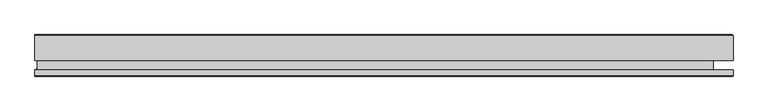
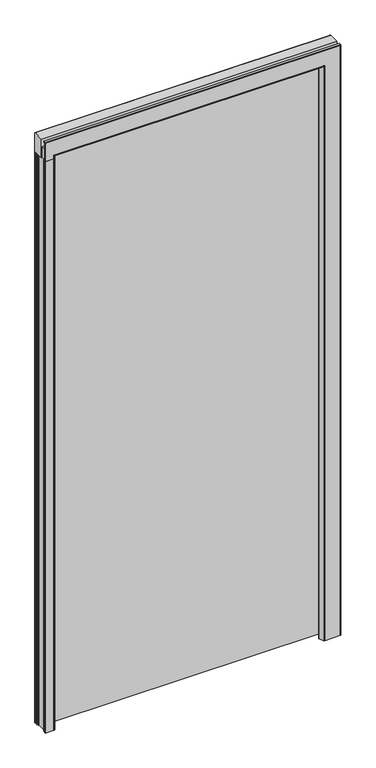
"""IFC4 building model written with IfcOpenShell, lengths in millimetres: plate geometry."""

from ifc_helpers import new_model, si_unit, point, frame, frame_2d, origin, origin_with_axes, place, context, project, spatial, polyline, circle_curve, ellipse_curve, trimmed, segment, composite_curve, outline, extrude, source, transform, mapped, element, save
from ifc_brep_helpers import plane_surface, cylinder_surface, revolved_surface, advanced_brep


def plate_19318635(model_context):
    return source(origin(), model_context, "Body", "SolidModel", [
        advanced_brep(
        [(-448.4438648, 1.9898158, 2040.2500691), (-448.4637148, -0.3532802, 2040.2500691), (-447.2153219, 0.4901462, 2040.2500691), (-446.5259623, -0.5561522, 2040.2500691), (-454.3900123, -16.0011353, 2040.2500691), (-455.4643518, -16.0011353, 2040.2500691), (-455.4643518, -13.9414107, 2040.2500691), (-458.4645382, -13.9414107, 2040.2500691), (-458.4645382, -14.7514097, 2040.2500691), (-457.141499, -14.7514097, 2040.2500691), (-457.0900653, -16.0012116, 2040.2500691), (-486.4642858, -16.0012116, 2040.2500691), (-486.4642858, -14.7514107, 2040.2500691), (-483.4649618, -14.7514107, 2040.2500691), (-483.4649618, 6.9997289, 2040.2500691), (-486.4642858, 6.9997289, 2040.2500691), (-486.4642858, 43.9982692, 2040.2500691), (-462.469292, 43.9982692, 2040.2500691), (-461.4642858, 42.993263, 2040.2500691), (-461.4642858, 35.9882516, 2040.2500691), (-463.4668258, 36.0001186, 2040.2500691), (-463.4668258, 33.0007795, 2040.2500691), (-465.9662751, 33.0007795, 2040.2500691), (-465.9662751, 33.9997119, 2040.2500691), (-466.9660548, 33.9997119, 2040.2500691), (-466.9660548, 14.9979665, 2040.2500691), (-465.9662751, 14.9979665, 2040.2500691), (-465.9662751, 15.9994408, 2040.2500691), (-463.4668258, 15.9994408, 2040.2500691), (-463.4668258, 13.0001017, 2040.2500691), (-461.4642858, 12.9890847, 2040.2500691), (-461.4642858, 9.9889008, 2040.2500691), (-460.2141527, 9.9889008, 2040.2500691), (-460.2141527, 6.7430058, 2040.2500691), (-458.4636909, 4.9900022, 2040.2500691), (-451.4432039, 4.9900022, 2040.2500691), (448.4438648, 1.9898158, 0.0), (451.4432039, 4.9900022, 0.0), (458.4636909, 4.9900022, 0.0), (460.2141527, 6.7430058, 0.0), (460.2141527, 9.9889008, 0.0), (461.4642858, 9.9889008, 0.0), (461.4642858, 12.9890847, 0.0), (463.4668258, 13.0001017, 0.0), (463.4668258, 15.9994408, 0.0), (465.9662751, 15.9994408, 0.0), (465.9662751, 14.9979665, 0.0), (466.9660548, 14.9979665, 0.0), (466.9660548, 33.9997119, 0.0), (465.9662751, 33.9997119, 0.0), (465.9662751, 33.0007795, 0.0), (463.4668258, 33.0007795, 0.0), (463.4668258, 36.0001186, 0.0), (461.4642858, 35.9882516, 0.0), (461.4642858, 42.993263, 0.0), (462.469292, 43.9982692, 0.0), (510.4600044, 43.9982692, 0.0), (511.4642858, 42.9939877, 0.0), (511.4642858, 6.9997289, 0.0), (483.4649618, 6.9997289, 0.0), (483.4649618, -14.7514107, 0.0), (510.215, -14.7514107, 0.0), (510.215, -6.499839, 0.0), (511.4642858, -6.499839, 0.0), (511.4642858, -15.0168796, 0.0), (510.4624766, -16.0012116, 0.0), (457.0900653, -16.0012116, 0.0), (457.141499, -14.7514097, 0.0), (458.4645382, -14.7514097, 0.0), (458.4645382, -13.9414107, 0.0), (455.4643518, -13.9414107, 0.0), (455.4643518, -16.0011353, 0.0), (454.3900123, -16.0011353, 0.0), (446.5259623, -0.5561522, 0.0), (447.2153219, 0.4901462, 0.0), (448.4637148, -0.3532802, 0.0), (-448.4637148, -0.3532802, 2043.999429), (-448.4438648, 1.9898158, 2043.979579), (448.4438648, 1.9898158, 2043.979579), (448.4637148, -0.3532802, 2043.999429), (447.2153219, 0.4901462, 2042.7510361), (-447.2153219, 0.4901462, 2042.7510361), (446.5259623, -0.5561522, 2042.0616765), (-446.5259623, -0.5561522, 2042.0616765), (454.3900123, -16.0011353, 2049.9257264), (-454.3900123, -16.0011353, 2049.9257264), (-455.4643518, -13.9414107, 2051.000066), (-455.4643518, -16.0011353, 2051.000066), (455.4643518, -16.0011353, 2051.000066), (455.4643518, -13.9414107, 2051.000066), (-458.4645382, -14.7514097, 2054.0002524), (-458.4645382, -13.9414107, 2054.0002524), (458.4645382, -13.9414107, 2054.0002524), (458.4645382, -14.7514097, 2054.0002524), (-457.0900653, -16.0012116, 2052.6257795), (-457.141499, -14.7514097, 2052.6772132), (457.141499, -14.7514097, 2052.6772132), (457.0900653, -16.0012116, 2052.6257795), (510.4624766, -16.0012116, 2105.9981908), (511.4642858, -15.0168796, 2107.0), (-486.4642858, -15.0168796, 2107.0), (-486.4642858, -16.0012116, 2105.9981908), (511.4642858, -6.499839, 2107.0), (-486.4642858, -6.499839, 2107.0), (510.215, -6.499839, 2105.7507142), (510.215, -14.7514107, 2105.7507142), (-486.4642858, -14.7514107, 2105.7507142), (-486.4642858, -6.499839, 2105.7507142), (-483.4649618, 6.9997289, 2079.000676), (-483.4649618, -14.7514107, 2079.000676), (483.4649618, -14.7514107, 2079.000676), (483.4649618, 6.9997289, 2079.000676), (511.4642858, 6.9997289, 2107.0), (511.4642858, 42.9939877, 2107.0), (-486.4642858, 42.9939877, 2107.0), (-486.4642858, 6.9997289, 2107.0), (510.4600044, 43.9982692, 2105.9957186), (-486.4642858, 43.9982692, 2105.9957186), (-461.4642858, 42.993263, 2057.0), (-462.469292, 43.9982692, 2058.0050061), (462.469292, 43.9982692, 2058.0050061), (461.4642858, 42.993263, 2057.0), (461.4642858, 35.9882516, 2057.0), (-461.4642858, 35.9882516, 2057.0), (463.4668258, 36.0001186, 2059.00254), (-463.4668258, 36.0001186, 2059.00254), (463.4668258, 33.0007795, 2059.00254), (-463.4668258, 33.0007795, 2059.00254), (-465.9662751, 33.9997119, 2061.5019893), (-465.9662751, 33.0007795, 2061.5019893), (465.9662751, 33.0007795, 2061.5019893), (465.9662751, 33.9997119, 2061.5019893), (-466.9660548, 14.9979665, 2062.501769), (-466.9660548, 33.9997119, 2062.501769), (466.9660548, 33.9997119, 2062.501769), (466.9660548, 14.9979665, 2062.501769), (-465.9662751, 15.9994408, 2061.5019893), (-465.9662751, 14.9979665, 2061.5019893), (465.9662751, 14.9979665, 2061.5019893), (465.9662751, 15.9994408, 2061.5019893), (-463.4668258, 13.0001017, 2059.00254), (-463.4668258, 15.9994408, 2059.00254), (463.4668258, 15.9994408, 2059.00254), (463.4668258, 13.0001017, 2059.00254), (461.4642858, 12.9890847, 2057.0), (-461.4642858, 12.9890847, 2057.0), (461.4642858, 9.9889008, 2057.0), (-461.4642858, 9.9889008, 2057.0), (-460.2141527, 6.7430058, 2055.7498669), (-460.2141527, 9.9889008, 2055.7498669), (460.2141527, 9.9889008, 2055.7498669), (460.2141527, 6.7430058, 2055.7498669), (458.4636909, 4.9900022, 2053.9994051), (-458.4636909, 4.9900022, 2053.9994051), (-451.4432039, 4.9900022, 2046.9789181), (451.4432039, 4.9900022, 2046.9789181)],
        [
            (0, 1),
            (1, 2),
            (2, 3, circle_curve(frame((-447.2165222, -0.260888, 2040.2500691), z_axis=(0.0, 0.0, -1.0), x_axis=(0.0, -1.0, 0.0)), 0.7510352)),
            (3, 4, circle_curve(frame((-512.089189, 23.1018273, 2040.2500691), z_axis=(0.0, 0.0, -1.0), x_axis=(0.0, -1.0, 0.0)), 69.7010523)),
            (4, 5),
            (5, 6),
            (6, 7),
            (7, 8),
            (8, 9),
            (9, 10, circle_curve(frame((-457.0900653, -15.3752523, 2040.2500691), z_axis=(0.0, 0.0, -1.0), x_axis=(0.0, -1.0, 0.0)), 0.6259593)),
            (10, 11),
            (11, 12),
            (12, 13),
            (13, 14),
            (14, 15),
            (15, 16),
            (16, 17),
            (17, 18, circle_curve(frame((-462.469292, 42.993263, 2040.2500691), z_axis=(0.0, 0.0, -1.0), x_axis=(0.0, -1.0, 0.0)), 1.0050061)),
            (18, 19),
            (19, 20),
            (20, 21),
            (21, 22),
            (22, 23),
            (23, 24),
            (24, 25),
            (25, 26),
            (26, 27),
            (27, 28),
            (28, 29),
            (29, 30),
            (30, 31),
            (31, 32),
            (32, 33),
            (33, 34, circle_curve(frame((-458.4625831, 6.741572, 2040.2500691), z_axis=(0.0, 0.0, 1.0), x_axis=(0.0, -1.0, 0.0)), 1.7515702)),
            (34, 35),
            (35, 0, circle_curve(frame((-451.4342859, 1.9995785, 2040.2500691), z_axis=(0.0, 0.0, -1.0), x_axis=(0.0, -1.0, 0.0)), 2.990437)),
            (36, 37, circle_curve(frame((451.4342859, 1.9995785, 0.0), z_axis=(0.0, 0.0, -1.0), x_axis=(0.0, -1.0, 0.0)), 2.990437)),
            (37, 38),
            (38, 39, circle_curve(frame((458.4625831, 6.741572, 0.0), z_axis=(0.0, 0.0, 1.0), x_axis=(0.0, -1.0, 0.0)), 1.7515702)),
            (39, 40),
            (40, 41),
            (41, 42),
            (42, 43),
            (43, 44),
            (44, 45),
            (45, 46),
            (46, 47),
            (47, 48),
            (48, 49),
            (49, 50),
            (50, 51),
            (51, 52),
            (52, 53),
            (53, 54),
            (54, 55, circle_curve(frame((462.469292, 42.993263, 0.0), z_axis=(0.0, 0.0, -1.0), x_axis=(0.0, -1.0, 0.0)), 1.0050061)),
            (55, 56),
            (56, 57, circle_curve(frame((510.4600044, 42.9939877, 0.0), z_axis=(0.0, 0.0, -1.0), x_axis=(0.0, -1.0, 0.0)), 1.0042814)),
            (57, 58),
            (58, 59),
            (59, 60),
            (60, 61),
            (61, 62),
            (62, 63),
            (63, 64),
            (64, 65, circle_curve(frame((510.4624766, -14.9992472, 0.0), z_axis=(0.0, 0.0, -1.0), x_axis=(0.0, -1.0, 0.0)), 1.0019644)),
            (65, 66),
            (66, 67, circle_curve(frame((457.0900653, -15.3752523, 0.0), z_axis=(0.0, 0.0, -1.0), x_axis=(0.0, -1.0, 0.0)), 0.6259593)),
            (67, 68),
            (68, 69),
            (69, 70),
            (70, 71),
            (71, 72),
            (72, 73, circle_curve(frame((512.089189, 23.1018273, 0.0), z_axis=(0.0, 0.0, -1.0), x_axis=(0.0, -1.0, 0.0)), 69.7010523)),
            (73, 74, circle_curve(frame((447.2165222, -0.260888, 0.0), z_axis=(0.0, 0.0, -1.0), x_axis=(0.0, -1.0, 0.0)), 0.7510352)),
            (74, 75),
            (75, 36),
            (76, 77),
            (77, 78),
            (78, 79),
            (79, 76),
            (79, 80),
            (80, 81),
            (81, 76),
            (80, 82, ellipse_curve(frame((447.2165222, -0.260888, 2042.7522363), z_axis=(-0.7071067811865475, 0.0, 0.7071067811865475), x_axis=(-0.7071067811865476, 0.0, -0.7071067811865474)), 1.0621241, 0.7510352)),
            (82, 83),
            (83, 81, ellipse_curve(frame((-447.2165222, -0.260888, 2042.7522363), z_axis=(0.7071067811865475, 0.0, 0.7071067811865475), x_axis=(-0.7071067811865476, 0.0, 0.7071067811865474)), 1.0621241, 0.7510352)),
            (82, 84, ellipse_curve(frame((512.089189, 23.1018273, 2107.6249032), z_axis=(-0.7071067811865475, 0.0, 0.7071067811865475), x_axis=(-0.7071067811865476, 0.0, -0.7071067811865474)), 98.5721734, 69.7010523)),
            (84, 85),
            (85, 83, ellipse_curve(frame((-512.089189, 23.1018273, 2107.6249032), z_axis=(0.7071067811865475, 0.0, 0.7071067811865475), x_axis=(-0.7071067811865476, 0.0, 0.7071067811865474)), 98.5721734, 69.7010523)),
            (86, 87),
            (87, 88),
            (88, 89),
            (89, 86),
            (90, 91),
            (91, 92),
            (92, 93),
            (93, 90),
            (94, 95, ellipse_curve(frame((-457.0900653, -15.3752523, 2052.6257795), z_axis=(0.7071067811865475, 0.0, 0.7071067811865475), x_axis=(-0.7071067811865476, 0.0, 0.7071067811865474)), 0.8852401, 0.6259593)),
            (95, 96),
            (96, 97, ellipse_curve(frame((457.0900653, -15.3752523, 2052.6257795), z_axis=(-0.7071067811865475, 0.0, 0.7071067811865475), x_axis=(-0.7071067811865476, 0.0, -0.7071067811865474)), 0.8852401, 0.6259593)),
            (97, 94),
            (98, 99, ellipse_curve(frame((510.4624766, -14.9992472, 2105.9981908), z_axis=(-0.7071067811865475, 0.0, 0.7071067811865475), x_axis=(-0.7071067811865476, 0.0, -0.7071067811865474)), 1.4169916, 1.0019644)),
            (99, 100),
            (100, 101, circle_curve(frame((-486.4642858, -14.9992472, 2105.9981908), z_axis=(1.0, 0.0, 0.0), x_axis=(0.0, -1.0, 0.0)), 1.0019644)),
            (101, 98),
            (99, 102),
            (102, 103),
            (103, 100),
            (104, 105),
            (105, 106),
            (106, 107),
            (107, 104),
            (108, 109),
            (109, 110),
            (110, 111),
            (111, 108),
            (112, 113),
            (113, 114),
            (114, 115),
            (115, 112),
            (113, 116, ellipse_curve(frame((510.4600044, 42.9939877, 2105.9957186), z_axis=(-0.7071067811865475, 0.0, 0.7071067811865475), x_axis=(-0.7071067811865476, 0.0, -0.7071067811865474)), 1.4202684, 1.0042814)),
            (116, 117),
            (117, 114, circle_curve(frame((-486.4642858, 42.9939877, 2105.9957186), z_axis=(1.0, 0.0, 0.0), x_axis=(0.0, -1.0, 0.0)), 1.0042814)),
            (118, 119, ellipse_curve(frame((-462.469292, 42.993263, 2058.0050061), z_axis=(0.7071067811865475, 0.0, 0.7071067811865475), x_axis=(-0.7071067811865476, 0.0, 0.7071067811865474)), 1.4212933, 1.0050061)),
            (119, 120),
            (120, 121, ellipse_curve(frame((462.469292, 42.993263, 2058.0050061), z_axis=(-0.7071067811865475, 0.0, 0.7071067811865475), x_axis=(-0.7071067811865476, 0.0, -0.7071067811865474)), 1.4212933, 1.0050061)),
            (121, 118),
            (121, 122),
            (122, 123),
            (123, 118),
            (122, 124),
            (124, 125),
            (125, 123),
            (124, 126),
            (126, 127),
            (127, 125),
            (128, 129),
            (129, 130),
            (130, 131),
            (131, 128),
            (132, 133),
            (133, 134),
            (134, 135),
            (135, 132),
            (136, 137),
            (137, 138),
            (138, 139),
            (139, 136),
            (140, 141),
            (141, 142),
            (142, 143),
            (143, 140),
            (143, 144),
            (144, 145),
            (145, 140),
            (144, 146),
            (146, 147),
            (147, 145),
            (148, 149),
            (149, 150),
            (150, 151),
            (151, 148),
            (151, 152, ellipse_curve(frame((458.4625831, 6.741572, 2053.9982973), z_axis=(0.7071067811865475, 0.0, -0.7071067811865475), x_axis=(0.7071067811865476, 0.0, 0.7071067811865474)), 2.4770943, 1.7515702)),
            (152, 153),
            (153, 148, ellipse_curve(frame((-458.4625831, 6.741572, 2053.9982973), z_axis=(-0.7071067811865475, 0.0, -0.7071067811865475), x_axis=(0.7071067811865476, 0.0, -0.7071067811865474)), 2.4770943, 1.7515702)),
            (77, 154, ellipse_curve(frame((-451.4342859, 1.9995785, 2046.9700001), z_axis=(0.7071067811865475, 0.0, 0.7071067811865475), x_axis=(-0.7071067811865476, 0.0, 0.7071067811865474)), 4.2291166, 2.990437)),
            (154, 155),
            (155, 78, ellipse_curve(frame((451.4342859, 1.9995785, 2046.9700001), z_axis=(-0.7071067811865475, 0.0, 0.7071067811865475), x_axis=(-0.7071067811865476, 0.0, -0.7071067811865474)), 4.2291166, 2.990437)),
            (75, 79),
            (78, 36),
            (74, 80),
            (73, 82),
            (72, 84),
            (70, 89),
            (88, 71),
            (68, 93),
            (92, 69),
            (66, 97),
            (96, 67),
            (64, 99),
            (98, 65),
            (63, 102),
            (61, 105),
            (104, 62),
            (59, 111),
            (110, 60),
            (57, 113),
            (112, 58),
            (56, 116),
            (54, 121),
            (120, 55),
            (53, 122),
            (52, 124),
            (51, 126),
            (49, 131),
            (130, 50),
            (47, 135),
            (134, 48),
            (45, 139),
            (138, 46),
            (43, 143),
            (142, 44),
            (42, 144),
            (41, 146),
            (39, 151),
            (150, 40),
            (38, 152),
            (155, 37),
            (0, 77),
            (76, 1),
            (81, 2),
            (83, 3),
            (85, 4),
            (87, 5),
            (86, 6),
            (91, 7),
            (90, 8),
            (95, 9),
            (94, 10),
            (101, 11),
            (107, 103),
            (109, 13),
            (12, 106),
            (108, 14),
            (115, 15),
            (119, 17),
            (16, 117),
            (118, 18),
            (123, 19),
            (125, 20),
            (127, 21),
            (129, 22),
            (128, 23),
            (133, 24),
            (132, 25),
            (137, 26),
            (136, 27),
            (141, 28),
            (140, 29),
            (145, 30),
            (147, 31),
            (149, 32),
            (148, 33),
            (153, 34),
            (154, 35),
        ],
        [
            plane_surface(frame((-486.4642858, 0.0, 2040.2500691), z_axis=(0.0, 0.0, -1.0), x_axis=(0.0, -1.0, 0.0))),
            plane_surface(frame((486.4642858, 0.0, 0.0), z_axis=(0.0, 0.0, -1.0), x_axis=(0.0, -1.0, 0.0))),
            plane_surface(frame((-448.4438648, 1.9898158, 2043.979579), z_axis=(0.0, -0.00847140051720653, -0.9999641170428453), x_axis=(1.0, 0.0, 0.0))),
            plane_surface(frame((-448.4637148, -0.3532802, 2043.999429), z_axis=(0.0, 0.8286143064900416, 0.5598199095066444), x_axis=(1.0, 0.0, 0.0))),
            cylinder_surface(frame((-486.4642858, -0.260888, 2042.7522363), z_axis=(-1.0, 0.0, 0.0), x_axis=(0.0, -1.0, 0.0)), 0.7510352),
            cylinder_surface(frame((-486.4642858, 23.1018273, 2107.6249032), z_axis=(-1.0, 0.0, 0.0), x_axis=(0.0, -1.0, 0.0)), 69.7010523),
            plane_surface(frame((-455.4643518, -16.0011353, 2051.000066), z_axis=(0.0, 0.0, 1.0), x_axis=(1.0, 0.0, 0.0))),
            plane_surface(frame((-458.4645382, -13.9414107, 2054.0002524), z_axis=(0.0, 0.0, -1.0), x_axis=(1.0, 0.0, 0.0))),
            cylinder_surface(frame((-486.4642858, -15.3752523, 2052.6257795), z_axis=(-1.0, 0.0, 0.0), x_axis=(0.0, -1.0, 0.0)), 0.6259593),
            cylinder_surface(frame((-486.4642858, -14.9992472, 2105.9981908), z_axis=(-1.0, 0.0, 0.0), x_axis=(0.0, -1.0, 0.0)), 1.0019644),
            plane_surface(frame((-511.4642858, -15.0168796, 2107.0), z_axis=(0.0, 0.0, 1.0), x_axis=(1.0, 0.0, 0.0))),
            plane_surface(frame((-510.215, -6.499839, 2105.7507142), z_axis=(0.0, 0.0, -1.0), x_axis=(1.0, 0.0, 0.0))),
            plane_surface(frame((-483.4649618, -14.7514107, 2079.000676), z_axis=(0.0, 0.0, 1.0), x_axis=(1.0, 0.0, 0.0))),
            plane_surface(frame((-511.4642858, 6.9997289, 2107.0), z_axis=(0.0, 0.0, 1.0), x_axis=(1.0, 0.0, 0.0))),
            cylinder_surface(frame((-486.4642858, 42.9939877, 2105.9957186), z_axis=(-1.0, 0.0, 0.0), x_axis=(0.0, -1.0, 0.0)), 1.0042814),
            cylinder_surface(frame((-486.4642858, 42.993263, 2058.0050061), z_axis=(-1.0, 0.0, 0.0), x_axis=(0.0, -1.0, 0.0)), 1.0050061),
            plane_surface(frame((-461.4642858, 42.993263, 2057.0), z_axis=(0.0, 0.0, -1.0), x_axis=(1.0, 0.0, 0.0))),
            plane_surface(frame((-461.4642858, 35.9882516, 2057.0), z_axis=(0.0, -0.9999824418889088, 0.005925868197590633), x_axis=(1.0, 0.0, 0.0))),
            plane_surface(frame((-463.4668258, 36.0001186, 2059.00254), z_axis=(0.0, 0.0, -1.0), x_axis=(1.0, 0.0, 0.0))),
            plane_surface(frame((-465.9662751, 33.0007795, 2061.5019893), z_axis=(0.0, 0.0, 1.0), x_axis=(1.0, 0.0, 0.0))),
            plane_surface(frame((-466.9660548, 33.9997119, 2062.501769), z_axis=(0.0, 0.0, -1.0), x_axis=(1.0, 0.0, 0.0))),
            plane_surface(frame((-465.9662751, 14.9979665, 2061.5019893), z_axis=(0.0, 0.0, 1.0), x_axis=(1.0, 0.0, 0.0))),
            plane_surface(frame((-463.4668258, 15.9994408, 2059.00254), z_axis=(0.0, 0.0, -1.0), x_axis=(1.0, 0.0, 0.0))),
            plane_surface(frame((-463.4668258, 13.0001017, 2059.00254), z_axis=(0.0, 0.9999848671959887, -0.005501397915172552), x_axis=(1.0, 0.0, 0.0))),
            plane_surface(frame((-461.4642858, 12.9890847, 2057.0), z_axis=(0.0, 0.0, -1.0), x_axis=(1.0, 0.0, 0.0))),
            plane_surface(frame((-460.2141527, 9.9889008, 2055.7498669), z_axis=(0.0, 0.0, -1.0), x_axis=(1.0, 0.0, 0.0))),
            revolved_surface(polyline([(460.2141532771686, 4.9900018, 2053.9982973), (-460.2141532771686, 4.9900018, 2053.9982973)]), (-486.4642858, 6.741572, 2053.9982973), (1.0, 0.0, 0.0)),
            cylinder_surface(frame((-486.4642858, 1.9995785, 2046.9700001), z_axis=(-1.0, 0.0, 0.0), x_axis=(0.0, -1.0, 0.0)), 2.990437),
            plane_surface(frame((448.4438648, 1.9898158, 2043.979579), z_axis=(-0.9999641170428453, -0.00847140051720653, 0.0), x_axis=(0.0, 0.0, -1.0))),
            plane_surface(frame((448.4637148, -0.3532802, 2043.999429), z_axis=(0.5598199095066444, 0.8286143064900416, 0.0), x_axis=(0.0, 0.0, -1.0))),
            cylinder_surface(frame((447.2165222, -0.260888, 2082.0), z_axis=(0.0, 0.0, 1.0), x_axis=(0.0, -1.0, 0.0)), 0.7510352),
            cylinder_surface(frame((512.089189, 23.1018273, 2082.0), z_axis=(0.0, 0.0, 1.0), x_axis=(0.0, -1.0, 0.0)), 69.7010523),
            plane_surface(frame((455.4643518, -16.0011353, 2051.000066), z_axis=(1.0, 0.0, 0.0), x_axis=(0.0, 0.0, -1.0))),
            plane_surface(frame((458.4645382, -13.9414107, 2054.0002524), z_axis=(-1.0, 0.0, 0.0), x_axis=(0.0, 0.0, -1.0))),
            cylinder_surface(frame((457.0900653, -15.3752523, 2082.0), z_axis=(0.0, 0.0, 1.0), x_axis=(0.0, -1.0, 0.0)), 0.6259593),
            cylinder_surface(frame((510.4624766, -14.9992472, 2082.0), z_axis=(0.0, 0.0, 1.0), x_axis=(0.0, -1.0, 0.0)), 1.0019644),
            plane_surface(frame((511.4642858, -15.0168796, 2107.0), z_axis=(1.0, 0.0, 0.0), x_axis=(0.0, 0.0, -1.0))),
            plane_surface(frame((510.215, -6.499839, 2105.7507142), z_axis=(-1.0, 0.0, 0.0), x_axis=(0.0, 0.0, -1.0))),
            plane_surface(frame((483.4649618, -14.7514107, 2079.000676), z_axis=(1.0, 0.0, 0.0), x_axis=(0.0, 0.0, -1.0))),
            plane_surface(frame((511.4642858, 6.9997289, 2107.0), z_axis=(1.0, 0.0, 0.0), x_axis=(0.0, 0.0, -1.0))),
            cylinder_surface(frame((510.4600044, 42.9939877, 2082.0), z_axis=(0.0, 0.0, 1.0), x_axis=(0.0, -1.0, 0.0)), 1.0042814),
            cylinder_surface(frame((462.469292, 42.993263, 2082.0), z_axis=(0.0, 0.0, 1.0), x_axis=(0.0, -1.0, 0.0)), 1.0050061),
            plane_surface(frame((461.4642858, 42.993263, 2057.0), z_axis=(-1.0, 0.0, 0.0), x_axis=(0.0, 0.0, -1.0))),
            plane_surface(frame((461.4642858, 35.9882516, 2057.0), z_axis=(0.005925868197590633, -0.9999824418889088, 0.0), x_axis=(0.0, 0.0, -1.0))),
            plane_surface(frame((463.4668258, 36.0001186, 2059.00254), z_axis=(-1.0, 0.0, 0.0), x_axis=(0.0, 0.0, -1.0))),
            plane_surface(frame((465.9662751, 33.0007795, 2061.5019893), z_axis=(1.0, 0.0, 0.0), x_axis=(0.0, 0.0, -1.0))),
            plane_surface(frame((466.9660548, 33.9997119, 2062.501769), z_axis=(-1.0, 0.0, 0.0), x_axis=(0.0, 0.0, -1.0))),
            plane_surface(frame((465.9662751, 14.9979665, 2061.5019893), z_axis=(1.0, 0.0, 0.0), x_axis=(0.0, 0.0, -1.0))),
            plane_surface(frame((463.4668258, 15.9994408, 2059.00254), z_axis=(-1.0, 0.0, 0.0), x_axis=(0.0, 0.0, -1.0))),
            plane_surface(frame((463.4668258, 13.0001017, 2059.00254), z_axis=(-0.005501397915172552, 0.9999848671959887, 0.0), x_axis=(0.0, 0.0, -1.0))),
            plane_surface(frame((461.4642858, 12.9890847, 2057.0), z_axis=(-1.0, 0.0, 0.0), x_axis=(0.0, 0.0, -1.0))),
            plane_surface(frame((460.2141527, 9.9889008, 2055.7498669), z_axis=(-1.0, 0.0, 0.0), x_axis=(0.0, 0.0, -1.0))),
            revolved_surface(polyline([(458.4625831, 4.9900018, 0.0), (458.4625831, 4.9900018, 2055.7498674771687)]), (458.4625831, 6.741572, 2082.0), (0.0, 0.0, -1.0)),
            cylinder_surface(frame((451.4342859, 1.9995785, 2082.0), z_axis=(0.0, 0.0, 1.0), x_axis=(0.0, -1.0, 0.0)), 2.990437),
            plane_surface(frame((-448.4438648, 1.9898158, 2040.2500691), z_axis=(0.9999641170428453, -0.00847140051720653, 0.0), x_axis=(0.0, 0.0, 1.0))),
            plane_surface(frame((-448.4637148, -0.3532802, 2040.2500691), z_axis=(-0.5598199095066444, 0.8286143064900416, 0.0), x_axis=(0.0, 0.0, 1.0))),
            cylinder_surface(frame((-447.2165222, -0.260888, 2040.2500691), z_axis=(0.0, 0.0, -1.0), x_axis=(0.0, -1.0, 0.0)), 0.7510352),
            cylinder_surface(frame((-512.089189, 23.1018273, 2040.2500691), z_axis=(0.0, 0.0, -1.0), x_axis=(0.0, -1.0, 0.0)), 69.7010523),
            plane_surface(frame((-454.3900123, -16.0011353, 2040.2500691), z_axis=(0.0, -1.0, 0.0), x_axis=(0.0, 0.0, 1.0))),
            plane_surface(frame((-455.4643518, -16.0011353, 2040.2500691), z_axis=(-1.0, 0.0, 0.0), x_axis=(0.0, 0.0, 1.0))),
            plane_surface(frame((-455.4643518, -13.9414107, 2040.2500691), z_axis=(0.0, -1.0, 0.0), x_axis=(0.0, 0.0, 1.0))),
            plane_surface(frame((-458.4645382, -13.9414107, 2040.2500691), z_axis=(1.0, 0.0, 0.0), x_axis=(0.0, 0.0, 1.0))),
            plane_surface(frame((-458.4645382, -14.7514097, 2040.2500691), z_axis=(0.0, 1.0, 0.0), x_axis=(0.0, 0.0, 1.0))),
            cylinder_surface(frame((-457.0900653, -15.3752523, 2040.2500691), z_axis=(0.0, 0.0, -1.0), x_axis=(0.0, -1.0, 0.0)), 0.6259593),
            plane_surface(frame((-457.0900653, -16.0012116, 2040.2500691), z_axis=(0.0, -1.0, 0.0), x_axis=(0.0, 0.0, 1.0))),
            plane_surface(frame((-511.4642858, -6.499839, 2040.2500691), z_axis=(0.0, 1.0, 0.0), x_axis=(0.0, 0.0, 1.0))),
            plane_surface(frame((-510.215, -14.7514107, 2040.2500691), z_axis=(0.0, 1.0, 0.0), x_axis=(0.0, 0.0, 1.0))),
            plane_surface(frame((-483.4649618, -14.7514107, 2040.2500691), z_axis=(-1.0, 0.0, 0.0), x_axis=(0.0, 0.0, 1.0))),
            plane_surface(frame((-483.4649618, 6.9997289, 2040.2500691), z_axis=(0.0, -1.0, 0.0), x_axis=(0.0, 0.0, 1.0))),
            plane_surface(frame((-510.4600044, 43.9982692, 2040.2500691), z_axis=(0.0, 1.0, 0.0), x_axis=(0.0, 0.0, 1.0))),
            cylinder_surface(frame((-462.469292, 42.993263, 2040.2500691), z_axis=(0.0, 0.0, -1.0), x_axis=(0.0, -1.0, 0.0)), 1.0050061),
            plane_surface(frame((-461.4642858, 42.993263, 2040.2500691), z_axis=(1.0, 0.0, 0.0), x_axis=(0.0, 0.0, 1.0))),
            plane_surface(frame((-461.4642858, 35.9882516, 2040.2500691), z_axis=(-0.005925868197590633, -0.9999824418889088, 0.0), x_axis=(0.0, 0.0, 1.0))),
            plane_surface(frame((-463.4668258, 36.0001186, 2040.2500691), z_axis=(1.0, 0.0, 0.0), x_axis=(0.0, 0.0, 1.0))),
            plane_surface(frame((-463.4668258, 33.0007795, 2040.2500691), z_axis=(0.0, -1.0, 0.0), x_axis=(0.0, 0.0, 1.0))),
            plane_surface(frame((-465.9662751, 33.0007795, 2040.2500691), z_axis=(-1.0, 0.0, 0.0), x_axis=(0.0, 0.0, 1.0))),
            plane_surface(frame((-465.9662751, 33.9997119, 2040.2500691), z_axis=(0.0, -1.0, 0.0), x_axis=(0.0, 0.0, 1.0))),
            plane_surface(frame((-466.9660548, 33.9997119, 2040.2500691), z_axis=(1.0, 0.0, 0.0), x_axis=(0.0, 0.0, 1.0))),
            plane_surface(frame((-466.9660548, 14.9979665, 2040.2500691), z_axis=(0.0, 1.0, 0.0), x_axis=(0.0, 0.0, 1.0))),
            plane_surface(frame((-465.9662751, 14.9979665, 2040.2500691), z_axis=(-1.0, 0.0, 0.0), x_axis=(0.0, 0.0, 1.0))),
            plane_surface(frame((-465.9662751, 15.9994408, 2040.2500691), z_axis=(0.0, 1.0, 0.0), x_axis=(0.0, 0.0, 1.0))),
            plane_surface(frame((-463.4668258, 15.9994408, 2040.2500691), z_axis=(1.0, 0.0, 0.0), x_axis=(0.0, 0.0, 1.0))),
            plane_surface(frame((-463.4668258, 13.0001017, 2040.2500691), z_axis=(0.005501397915172552, 0.9999848671959887, 0.0), x_axis=(0.0, 0.0, 1.0))),
            plane_surface(frame((-461.4642858, 12.9890847, 2040.2500691), z_axis=(1.0, 0.0, 0.0), x_axis=(0.0, 0.0, 1.0))),
            plane_surface(frame((-461.4642858, 9.9889008, 2040.2500691), z_axis=(0.0, 1.0, 0.0), x_axis=(0.0, 0.0, 1.0))),
            plane_surface(frame((-460.2141527, 9.9889008, 2040.2500691), z_axis=(1.0, 0.0, 0.0), x_axis=(0.0, 0.0, 1.0))),
            revolved_surface(polyline([(-458.4625831, 4.9900018, 2055.7498674771687), (-458.4625831, 4.9900018, 2040.2500691)]), (-458.4625831, 6.741572, 2040.2500691), (0.0, 0.0, 1.0)),
            plane_surface(frame((-458.4636909, 4.9900022, 2040.2500691), z_axis=(0.0, 1.0, 0.0), x_axis=(0.0, 0.0, 1.0))),
            cylinder_surface(frame((-451.4342859, 1.9995785, 2040.2500691), z_axis=(0.0, 0.0, -1.0), x_axis=(0.0, -1.0, 0.0)), 2.990437),
            plane_surface(frame((-486.4642858, -30.0, 210.5972325), z_axis=(-1.0, 0.0, 0.0), x_axis=(0.0, 1.0, 0.0))),
        ],
        [
            (0, [[1, 2, 3, 4, 5, 6, 7, 8, 9, 10, 11, 12, 13, 14, 15, 16, 17, 18, 19, 20, 21, 22, 23, 24, 25, 26, 27, 28, 29, 30, 31, 32, 33, 34, 35, 36]]),
            (1, [[37, 38, 39, 40, 41, 42, 43, 44, 45, 46, 47, 48, 49, 50, 51, 52, 53, 54, 55, 56, 57, 58, 59, 60, 61, 62, 63, 64, 65, 66, 67, 68, 69, 70, 71, 72, 73, 74, 75, 76]]),
            (2, [[77, 78, 79, 80]]),
            (3, [[-80, 81, 82, 83]]),
            (4, [[-82, 84, 85, 86]]),
            (5, [[-85, 87, 88, 89]]),
            (6, [[90, 91, 92, 93]]),
            (7, [[94, 95, 96, 97]]),
            (8, [[98, 99, 100, 101]]),
            (9, [[102, 103, 104, 105]]),
            (10, [[106, 107, 108, -103]]),
            (11, [[109, 110, 111, 112]]),
            (12, [[113, 114, 115, 116]]),
            (13, [[117, 118, 119, 120]]),
            (14, [[121, 122, 123, -118]]),
            (15, [[124, 125, 126, 127]]),
            (16, [[-127, 128, 129, 130]]),
            (17, [[-129, 131, 132, 133]]),
            (18, [[-132, 134, 135, 136]]),
            (19, [[137, 138, 139, 140]]),
            (20, [[141, 142, 143, 144]]),
            (21, [[145, 146, 147, 148]]),
            (22, [[149, 150, 151, 152]]),
            (23, [[-152, 153, 154, 155]]),
            (24, [[-154, 156, 157, 158]]),
            (25, [[159, 160, 161, 162]]),
            (26, [[-162, 163, 164, 165]]),
            (27, [[-78, 166, 167, 168]]),
            (28, [[-76, 169, -79, 170]]),
            (29, [[-75, 171, -81, -169]]),
            (30, [[-74, 172, -84, -171]]),
            (31, [[-73, 173, -87, -172]]),
            (32, [[-71, 174, -92, 175]]),
            (33, [[-69, 176, -96, 177]]),
            (34, [[-67, 178, -100, 179]]),
            (35, [[-65, 180, -102, 181]]),
            (36, [[-64, 182, -106, -180]]),
            (37, [[-62, 183, -109, 184]]),
            (38, [[-60, 185, -115, 186]]),
            (39, [[-58, 187, -117, 188]]),
            (40, [[-57, 189, -121, -187]]),
            (41, [[-55, 190, -126, 191]]),
            (42, [[-54, 192, -128, -190]]),
            (43, [[-53, 193, -131, -192]]),
            (44, [[-52, 194, -134, -193]]),
            (45, [[-50, 195, -139, 196]]),
            (46, [[-48, 197, -143, 198]]),
            (47, [[-46, 199, -147, 200]]),
            (48, [[-44, 201, -151, 202]]),
            (49, [[-43, 203, -153, -201]]),
            (50, [[-42, 204, -156, -203]]),
            (51, [[-40, 205, -161, 206]]),
            (52, [[-39, 207, -163, -205]]),
            (53, [[-37, -170, -168, 208]]),
            (54, [[-1, 209, -77, 210]]),
            (55, [[-2, -210, -83, 211]]),
            (56, [[-3, -211, -86, 212]]),
            (57, [[-4, -212, -89, 213]]),
            (58, [[-5, -213, -88, -173, -72, -175, -91, 214]]),
            (59, [[-6, -214, -90, 215]]),
            (60, [[-7, -215, -93, -174, -70, -177, -95, 216]]),
            (61, [[-8, -216, -94, 217]]),
            (62, [[-9, -217, -97, -176, -68, -179, -99, 218]]),
            (63, [[-10, -218, -98, 219]]),
            (64, [[-66, -181, -105, 220, -11, -219, -101, -178]]),
            (65, [[-63, -184, -112, 221, -107, -182]]),
            (66, [[-61, -186, -114, 222, -13, 223, -110, -183]]),
            (67, [[-14, -222, -113, 224]]),
            (68, [[-59, -188, -120, 225, -15, -224, -116, -185]]),
            (69, [[-56, -191, -125, 226, -17, 227, -122, -189]]),
            (70, [[-18, -226, -124, 228]]),
            (71, [[-19, -228, -130, 229]]),
            (72, [[-20, -229, -133, 230]]),
            (73, [[-21, -230, -136, 231]]),
            (74, [[-22, -231, -135, -194, -51, -196, -138, 232]]),
            (75, [[-23, -232, -137, 233]]),
            (76, [[-24, -233, -140, -195, -49, -198, -142, 234]]),
            (77, [[-25, -234, -141, 235]]),
            (78, [[-26, -235, -144, -197, -47, -200, -146, 236]]),
            (79, [[-27, -236, -145, 237]]),
            (80, [[-28, -237, -148, -199, -45, -202, -150, 238]]),
            (81, [[-29, -238, -149, 239]]),
            (82, [[-30, -239, -155, 240]]),
            (83, [[-31, -240, -158, 241]]),
            (84, [[-32, -241, -157, -204, -41, -206, -160, 242]]),
            (85, [[-33, -242, -159, 243]]),
            (86, [[-34, -243, -165, 244]]),
            (87, [[-35, -244, -164, -207, -38, -208, -167, 245]]),
            (88, [[-36, -245, -166, -209]]),
            (89, [[-12, -220, -104, -108, -221, -111, -223]]),
            (89, [[-16, -225, -119, -123, -227]]),
        ],
    ),
        extrude(outline(composite_curve([segment(polyline([(-448.4438648, 1.9998136), (-448.4637148, -0.3432824), (-447.2153219, 0.500144)]), True, "CONTINUOUS"), segment(trimmed(circle_curve(frame_2d((-447.2165222, -0.2508902)), 0.7510352), [point((-447.2153219, 0.500144))], [point((-446.5259623, -0.5461544))], False, "CARTESIAN"), True, "CONTINUOUS"), segment(trimmed(circle_curve(frame_2d((-512.089189, 23.1118251)), 69.7010523), [point((-446.5259623, -0.5461544))], [point((-454.3900123, -15.9911375))], False, "CARTESIAN"), True, "CONTINUOUS"), segment(polyline([(-454.3900123, -15.9911375), (-455.4643518, -15.9911375), (-455.4643518, -14.7514097), (-457.0840205, -14.7514097)]), True, "CONTINUOUS"), segment(trimmed(circle_curve(frame_2d((-457.0840205, -15.3713117)), 0.619902), [point((-457.0840205, -14.7514097))], [point((-457.0840205, -15.9912138))], False, "CARTESIAN"), True, "CONTINUOUS"), segment(polyline([(-457.0840205, -15.9912138), (-486.4642858, -15.9912138), (-486.4642858, -14.7414891), (-481.4654027, -14.7414891), (-481.4654027, -6.7414891), (-484.4654027, -6.7414891), (-484.4654027, -5.2414891), (-481.4654027, -5.2414891), (-481.4654027, -1.7414891), (-482.9654027, -1.7414891), (-482.9654027, -0.2414891), (-481.4654027, -0.2414891), (-481.4654027, 28.0086083), (-482.9654027, 28.0086083), (-482.9654027, 29.5086083), (-481.4654027, 29.5086083), (-481.4654027, 33.0086083), (-486.4642858, 33.0086083), (-486.4642858, 34.5086083), (-481.4654027, 34.5086083), (-481.4654027, 42.5086083), (-486.4642858, 42.5086083), (-486.4642858, 44.008267), (-462.469292, 44.008267)]), True, "CONTINUOUS"), segment(trimmed(circle_curve(frame_2d((-462.469292, 43.0032608)), 1.0050061), [point((-462.469292, 44.008267))], [point((-461.4642858, 43.0032608))], False, "CARTESIAN"), True, "CONTINUOUS"), segment(polyline([(-461.4642858, 43.0032608), (-461.4642858, 35.9982494), (-463.4668258, 36.0101164), (-463.4668258, 33.0107773), (-465.9662751, 33.0107773), (-465.9662751, 34.0097097), (-466.9660548, 34.0097097), (-466.9660548, 15.0079643), (-465.9662751, 15.0079643), (-465.9662751, 16.0094386), (-463.4668258, 16.0094386), (-463.4668258, 13.0100995), (-461.4642858, 12.9990825), (-461.4642858, 9.9988985), (-460.2141527, 9.9988985), (-460.2141527, 6.7530036)]), True, "CONTINUOUS"), segment(trimmed(circle_curve(frame_2d((-458.4625831, 6.7515698)), 1.7515702), [point((-460.2141527, 6.7530036))], [point((-458.4636909, 5.0))], True, "CARTESIAN"), True, "CONTINUOUS"), segment(polyline([(-458.4636909, 5.0), (-451.4432039, 5.0)]), True, "CONTINUOUS"), segment(trimmed(circle_curve(frame_2d((-451.4342859, 2.0095763)), 2.990437), [point((-451.4432039, 5.0))], [point((-448.4438648, 1.9998136))], False, "CARTESIAN"), True, "CONTINUOUS")], self_intersect=False)), origin_with_axes(), (0.0, 0.0, 1.0), 2040.2500691),
        extrude(outline(polyline([(456.9642858, 5.0), (-456.9642858, 5.0), (-456.9642858, 13.0), (456.9642858, 13.0), (456.9642858, 5.0)])), frame((0.0, 0.0, 13.0), z_axis=(0.0, 0.0, 1.0), x_axis=(1.0, 0.0, 0.0)), (0.0, 0.0, 1.0), 2039.5),
    ])


if __name__ == "__main__":
    model = new_model("IFC4")
    model_context = context("Model", 3, world=origin())
    ifc_project = project(units=[si_unit("LENGTHUNIT", "METRE", prefix="MILLI")], contexts=[model_context])
    site = spatial("IfcSite", under=ifc_project)
    building = spatial("IfcBuilding", under=site)
    placement = place(None, origin())
    plate_shape = plate_19318635(model_context)
    element("IfcPlate", 1, at=placement, inside=building, context=model_context, shape_type="MappedRepresentation", body=[
        mapped(plate_shape, transform((0.0, 0.0, 0.0), x_axis=(1.0, 0.0, 0.0), y_axis=(0.0, 1.0, 0.0), z_axis=(0.0, 0.0, 1.0))),
    ])
    save(model, "model.ifc")
